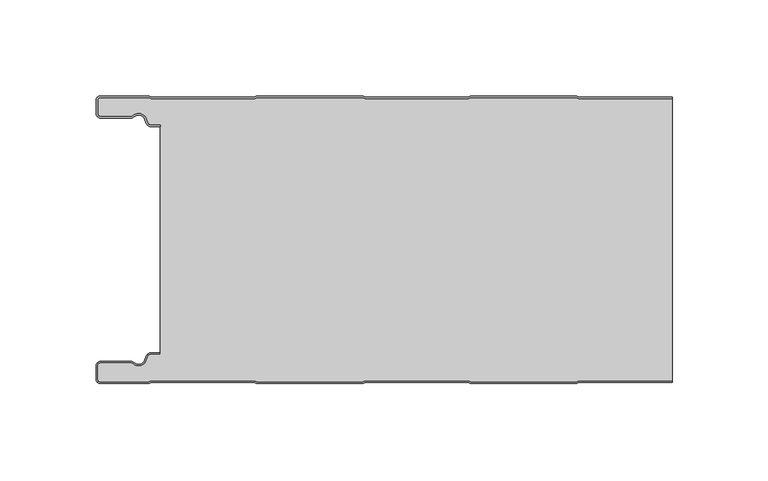
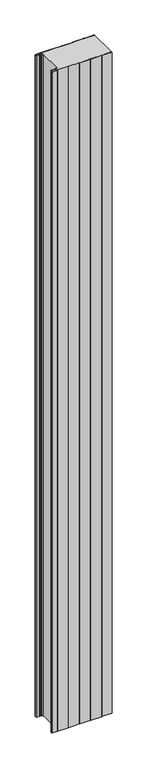
"""IFC4 building model written with IfcOpenShell, lengths in millimetres: plate geometry."""

from ifc_helpers import new_model, si_unit, point, frame_2d, origin, origin_with_axes, place, context, project, spatial, polyline, circle_curve, trimmed, segment, composite_curve, outline, extrude, source, transform, mapped, element, save


def plate_023f9d0f(model_context):
    return source(origin(), model_context, "Body", "SweptSolid", [
        extrude(outline(composite_curve([segment(trimmed(circle_curve(frame_2d((-147.49499, -9.0180361)), 2.50501), [point((-147.49499, -11.5230461))], [point((-150.0, -9.0180361))], False, "CARTESIAN"), True, "CONTINUOUS"), segment(polyline([(-150.0, -9.0180361), (-150.0, -2.50501)]), True, "CONTINUOUS"), segment(trimmed(circle_curve(frame_2d((-147.49499, -2.50501)), 2.50501), [point((-150.0, -2.50501))], [point((-147.49499, 0.0))], False, "CARTESIAN"), True, "CONTINUOUS"), segment(polyline([(-147.49499, 0.0), (-122.2103007, 0.0), (-121.028188, -0.6012024), (-67.6391467, -0.6012024), (-66.457034, 0.0), (-10.8776353, 0.0), (-9.6955227, -0.6012024), (43.6935186, -0.6012024), (44.8756313, 0.0), (100.45503, 0.0), (101.6371427, -0.6012024), (150.0, -0.6012024), (150.0, -1.4012024), (101.4453963, -1.4012024), (100.2632836, -0.8), (45.0673777, -0.8), (43.885265, -1.4012024), (-9.887269, -1.4012024), (-11.0693817, -0.8), (-66.2652876, -0.8), (-67.4474003, -1.4012024), (-121.2199344, -1.4012024), (-122.4020471, -0.8), (-147.49499, -0.8)]), True, "CONTINUOUS"), segment(trimmed(circle_curve(frame_2d((-147.49499, -2.50501)), 1.70501), [point((-147.49499, -0.8))], [point((-149.2, -2.50501))], True, "CARTESIAN"), True, "CONTINUOUS"), segment(polyline([(-149.2, -2.50501), (-149.2, -9.0180361)]), True, "CONTINUOUS"), segment(trimmed(circle_curve(frame_2d((-147.49499, -9.0180361)), 1.70501), [point((-149.2, -9.0180361))], [point((-147.49499, -10.7230461))], True, "CARTESIAN"), True, "CONTINUOUS"), segment(polyline([(-147.49499, -10.7230461), (-131.8173283, -10.7230461)]), True, "CONTINUOUS"), segment(trimmed(circle_curve(frame_2d((-131.8173283, -9.0180361)), 1.70501), [point((-131.8173283, -10.7230461))], [point((-130.6895701, -10.2967936))], True, "CARTESIAN"), True, "CONTINUOUS"), segment(trimmed(circle_curve(frame_2d((-127.8407481, -13.5270541)), 4.307014), [point((-130.6895701, -10.2967936))], [point((-123.7934788, -12.0539686))], False, "CARTESIAN"), True, "CONTINUOUS"), segment(polyline([(-123.7934788, -12.0539686), (-123.0450711, -14.1102019)]), True, "CONTINUOUS"), segment(trimmed(circle_curve(frame_2d((-121.4428858, -13.5270541)), 1.70501), [point((-123.0450711, -14.1102019))], [point((-121.4428858, -15.2320641))], True, "CARTESIAN"), True, "CONTINUOUS"), segment(polyline([(-121.4428858, -15.2320641), (-116.4328657, -15.2320641), (-116.4328657, -16.0320641), (-121.4428858, -16.0320641)]), True, "CONTINUOUS"), segment(trimmed(circle_curve(frame_2d((-121.4428858, -13.5270541)), 2.50501), [point((-121.4428858, -16.0320641))], [point((-123.7968252, -14.383818))], False, "CARTESIAN"), True, "CONTINUOUS"), segment(polyline([(-123.7968252, -14.383818), (-124.5452329, -12.3275847)]), True, "CONTINUOUS"), segment(trimmed(circle_curve(frame_2d((-127.8407481, -13.5270541)), 3.507014), [point((-124.5452329, -12.3275847))], [point((-130.1604199, -10.8967936))], True, "CARTESIAN"), True, "CONTINUOUS"), segment(trimmed(circle_curve(frame_2d((-131.8173283, -9.0180361)), 2.50501), [point((-130.1604199, -10.8967936))], [point((-131.8173283, -11.5230461))], False, "CARTESIAN"), True, "CONTINUOUS"), segment(polyline([(-131.8173283, -11.5230461), (-147.49499, -11.5230461)]), True, "CONTINUOUS")], self_intersect=False)), origin_with_axes(), (0.0, 0.0, 1.0), 3500.0),
        extrude(outline(composite_curve([segment(trimmed(circle_curve(frame_2d((-121.4428858, -13.5270541)), 1.70501), [point((-121.4428858, -15.2320641))], [point((-123.0450711, -14.1102019))], False, "CARTESIAN"), True, "CONTINUOUS"), segment(polyline([(-123.0450711, -14.1102019), (-123.7934788, -12.0539686)]), True, "CONTINUOUS"), segment(trimmed(circle_curve(frame_2d((-127.8407481, -13.5270541)), 4.307014), [point((-123.7934788, -12.0539686))], [point((-130.6895701, -10.2967936))], True, "CARTESIAN"), True, "CONTINUOUS"), segment(trimmed(circle_curve(frame_2d((-131.8173283, -9.0180361)), 1.70501), [point((-130.6895701, -10.2967936))], [point((-131.8173283, -10.7230461))], False, "CARTESIAN"), True, "CONTINUOUS"), segment(polyline([(-131.8173283, -10.7230461), (-147.49499, -10.7230461)]), True, "CONTINUOUS"), segment(trimmed(circle_curve(frame_2d((-147.49499, -9.0180361)), 1.70501), [point((-147.49499, -10.7230461))], [point((-149.2, -9.0180361))], False, "CARTESIAN"), True, "CONTINUOUS"), segment(polyline([(-149.2, -9.0180361), (-149.2, -2.50501)]), True, "CONTINUOUS"), segment(trimmed(circle_curve(frame_2d((-147.49499, -2.50501)), 1.70501), [point((-149.2, -2.50501))], [point((-147.49499, -0.8))], False, "CARTESIAN"), True, "CONTINUOUS"), segment(polyline([(-147.49499, -0.8), (-122.4020471, -0.8), (-121.2199344, -1.4012024), (-67.4474003, -1.4012024), (-66.2652876, -0.8), (-11.0693817, -0.8), (-9.887269, -1.4012024), (43.885265, -1.4012024), (45.0673777, -0.8), (100.2632836, -0.8), (101.4453963, -1.4012024), (150.0, -1.4012024), (150.0, -148.5987976), (101.4453963, -148.5987976), (100.2632836, -149.2), (45.0673777, -149.2), (43.885265, -148.5987976), (-9.887269, -148.5987976), (-11.0693817, -149.2), (-66.2652876, -149.2), (-67.4474003, -148.5987976), (-121.2199344, -148.5987976), (-122.4020471, -149.2), (-147.49499, -149.2)]), True, "CONTINUOUS"), segment(trimmed(circle_curve(frame_2d((-147.49499, -147.49499)), 1.70501), [point((-147.49499, -149.2))], [point((-149.2, -147.49499))], False, "CARTESIAN"), True, "CONTINUOUS"), segment(polyline([(-149.2, -147.49499), (-149.2, -140.9819639)]), True, "CONTINUOUS"), segment(trimmed(circle_curve(frame_2d((-147.49499, -140.9819639)), 1.70501), [point((-149.2, -140.9819639))], [point((-147.49499, -139.2769539))], False, "CARTESIAN"), True, "CONTINUOUS"), segment(polyline([(-147.49499, -139.2769539), (-131.8173283, -139.2769539)]), True, "CONTINUOUS"), segment(trimmed(circle_curve(frame_2d((-131.8173283, -140.9819639)), 1.70501), [point((-131.8173283, -139.2769539))], [point((-130.6895701, -139.7032064))], False, "CARTESIAN"), True, "CONTINUOUS"), segment(trimmed(circle_curve(frame_2d((-127.8407481, -136.4729459)), 4.307014), [point((-130.6895701, -139.7032064))], [point((-123.7934788, -137.9460314))], True, "CARTESIAN"), True, "CONTINUOUS"), segment(polyline([(-123.7934788, -137.9460314), (-123.0450711, -135.8897981)]), True, "CONTINUOUS"), segment(trimmed(circle_curve(frame_2d((-121.4428858, -136.4729459)), 1.70501), [point((-123.0450711, -135.8897981))], [point((-121.4428858, -134.7679359))], False, "CARTESIAN"), True, "CONTINUOUS"), segment(polyline([(-121.4428858, -134.7679359), (-116.4328657, -134.7679359), (-116.4328657, -15.2320641), (-121.4428858, -15.2320641)]), True, "CONTINUOUS")], self_intersect=False)), origin_with_axes(), (0.0, 0.0, 1.0), 3500.0),
        extrude(outline(composite_curve([segment(polyline([(-147.49499, -138.4769539), (-131.8173283, -138.4769539)]), True, "CONTINUOUS"), segment(trimmed(circle_curve(frame_2d((-131.8173283, -140.9819639)), 2.50501), [point((-131.8173283, -138.4769539))], [point((-130.1604199, -139.1032064))], False, "CARTESIAN"), True, "CONTINUOUS"), segment(trimmed(circle_curve(frame_2d((-127.8407481, -136.4729459)), 3.507014), [point((-130.1604199, -139.1032064))], [point((-124.5452329, -137.6724153))], True, "CARTESIAN"), True, "CONTINUOUS"), segment(polyline([(-124.5452329, -137.6724153), (-123.7968252, -135.616182)]), True, "CONTINUOUS"), segment(trimmed(circle_curve(frame_2d((-121.4428858, -136.4729459)), 2.50501), [point((-123.7968252, -135.616182))], [point((-121.4428858, -133.9679359))], False, "CARTESIAN"), True, "CONTINUOUS"), segment(polyline([(-121.4428858, -133.9679359), (-116.4328657, -133.9679359), (-116.4328657, -134.7679359), (-121.4428858, -134.7679359)]), True, "CONTINUOUS"), segment(trimmed(circle_curve(frame_2d((-121.4428858, -136.4729459)), 1.70501), [point((-121.4428858, -134.7679359))], [point((-123.0450711, -135.8897981))], True, "CARTESIAN"), True, "CONTINUOUS"), segment(polyline([(-123.0450711, -135.8897981), (-123.7934788, -137.9460314)]), True, "CONTINUOUS"), segment(trimmed(circle_curve(frame_2d((-127.8407481, -136.4729459)), 4.307014), [point((-123.7934788, -137.9460314))], [point((-130.6895701, -139.7032064))], False, "CARTESIAN"), True, "CONTINUOUS"), segment(trimmed(circle_curve(frame_2d((-131.8173283, -140.9819639)), 1.70501), [point((-130.6895701, -139.7032064))], [point((-131.8173283, -139.2769539))], True, "CARTESIAN"), True, "CONTINUOUS"), segment(polyline([(-131.8173283, -139.2769539), (-147.49499, -139.2769539)]), True, "CONTINUOUS"), segment(trimmed(circle_curve(frame_2d((-147.49499, -140.9819639)), 1.70501), [point((-147.49499, -139.2769539))], [point((-149.2, -140.9819639))], True, "CARTESIAN"), True, "CONTINUOUS"), segment(polyline([(-149.2, -140.9819639), (-149.2, -147.49499)]), True, "CONTINUOUS"), segment(trimmed(circle_curve(frame_2d((-147.49499, -147.49499)), 1.70501), [point((-149.2, -147.49499))], [point((-147.49499, -149.2))], True, "CARTESIAN"), True, "CONTINUOUS"), segment(polyline([(-147.49499, -149.2), (-122.4020471, -149.2), (-121.2199344, -148.5987976), (-67.4474003, -148.5987976), (-66.2652876, -149.2), (-11.0693817, -149.2), (-9.887269, -148.5987976), (43.885265, -148.5987976), (45.0673777, -149.2), (100.2632836, -149.2), (101.4453963, -148.5987976), (150.0, -148.5987976), (150.0, -149.3987976), (101.6371427, -149.3987976), (100.45503, -150.0), (44.8756313, -150.0), (43.6935186, -149.3987976), (-9.6955227, -149.3987976), (-10.8776353, -150.0), (-66.457034, -150.0), (-67.6391467, -149.3987976), (-121.028188, -149.3987976), (-122.2103007, -150.0), (-147.49499, -150.0)]), True, "CONTINUOUS"), segment(trimmed(circle_curve(frame_2d((-147.49499, -147.49499)), 2.50501), [point((-147.49499, -150.0))], [point((-150.0, -147.49499))], False, "CARTESIAN"), True, "CONTINUOUS"), segment(polyline([(-150.0, -147.49499), (-150.0, -140.9819639)]), True, "CONTINUOUS"), segment(trimmed(circle_curve(frame_2d((-147.49499, -140.9819639)), 2.50501), [point((-150.0, -140.9819639))], [point((-147.49499, -138.4769539))], False, "CARTESIAN"), True, "CONTINUOUS")], self_intersect=False)), origin_with_axes(), (0.0, 0.0, 1.0), 3500.0),
    ])


if __name__ == "__main__":
    model = new_model("IFC4")
    model_context = context("Model", 3, world=origin())
    ifc_project = project(units=[si_unit("LENGTHUNIT", "METRE", prefix="MILLI")], contexts=[model_context])
    site = spatial("IfcSite", under=ifc_project)
    building = spatial("IfcBuilding", under=site)
    placement = place(None, origin())
    plate_shape = plate_023f9d0f(model_context)
    element("IfcPlate", 1, at=placement, inside=building, context=model_context, shape_type="MappedRepresentation", body=[
        mapped(plate_shape, transform((0.0, 0.0, 0.0), x_axis=(1.0, 0.0, 0.0), y_axis=(0.0, 1.0, 0.0), z_axis=(0.0, 0.0, 1.0))),
    ])
    save(model, "model.ifc")
